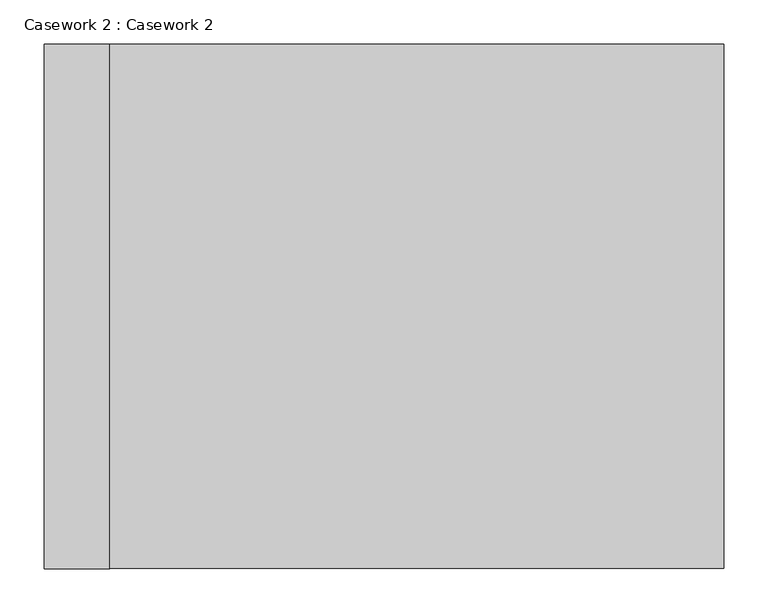
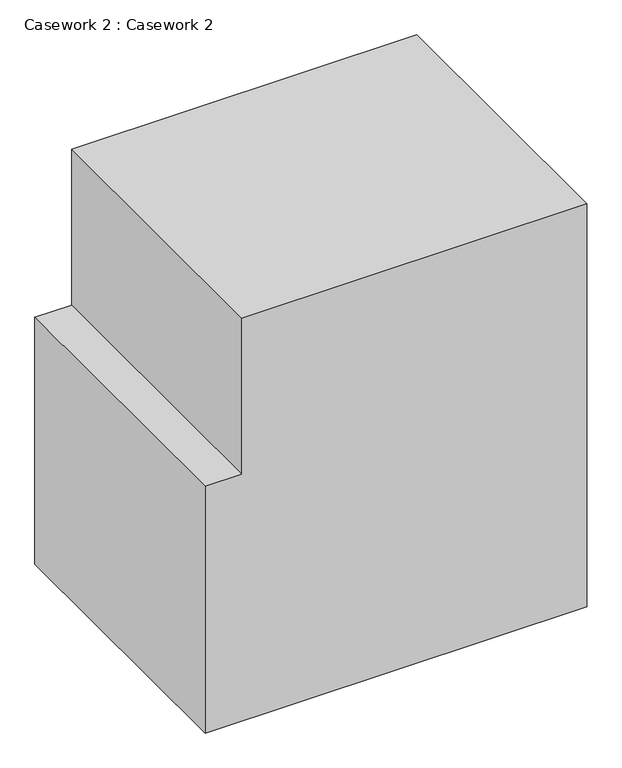
"""IFC4 building model written with IfcOpenShell, lengths in millimetres: furniture geometry, Casework 2 : Casework 2."""

from ifc_helpers import new_model, si_unit, frame, origin, place, context, project, spatial, polyline, outline, extrude, source, transform, mapped, element, save


def casework_2_casework_2_ccc46326(model_context):
    return source(origin(), model_context, "Body", "SweptSolid", [
        extrude(outline(polyline([(-6127.75, -22454.8265147), (-6654.8, -22454.8265147), (-6654.8, -21683.3015147), (-5794.375, -21683.3015147), (-5794.375, -22380.2140147), (-6127.75, -22380.2140147), (-6127.75, -22454.8265147)])), frame((0.0, -6240.9882804, 0.0), z_axis=(0.0, 1.0, 0.0), x_axis=(0.0, 0.0, 1.0)), (0.0, 0.0, 1.0), 595.647828),
    ])


if __name__ == "__main__":
    model = new_model("IFC4")
    model_context = context("Model", 3, world=origin())
    ifc_project = project(units=[si_unit("LENGTHUNIT", "METRE", prefix="MILLI")], contexts=[model_context])
    site = spatial("IfcSite", under=ifc_project)
    building = spatial("IfcBuilding", under=site)
    placement = place(None, origin())
    casework_2_casework_2_shape = casework_2_casework_2_ccc46326(model_context)
    element("IfcFurniture", 1, ObjectType="Casework 2 : Casework 2", at=placement, inside=building, context=model_context, shape_type="MappedRepresentation", body=[
        mapped(casework_2_casework_2_shape, transform((0.0, 0.0, 0.0), x_axis=(1.0, 0.0, 0.0), y_axis=(0.0, 1.0, 0.0), z_axis=(0.0, 0.0, 1.0))),
    ])
    save(model, "model.ifc")
